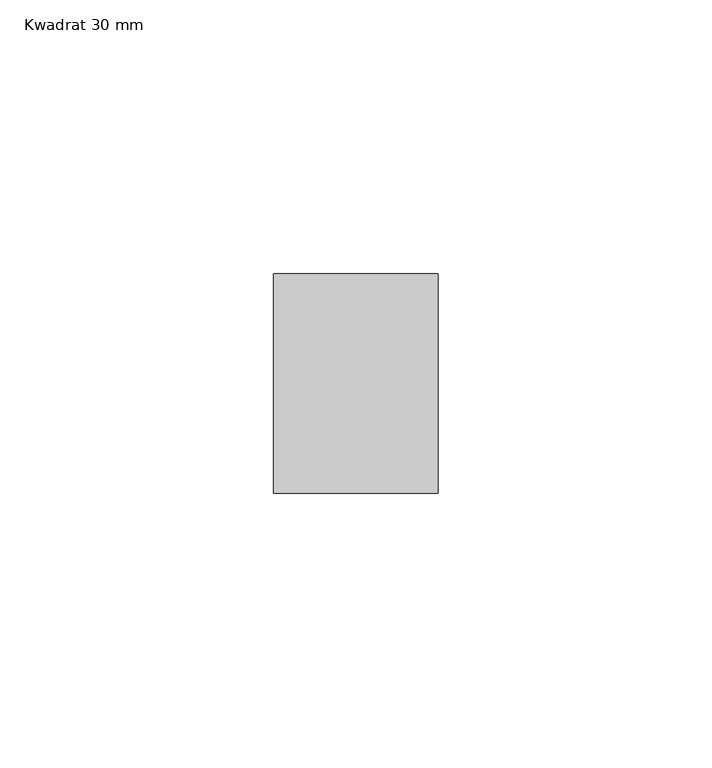
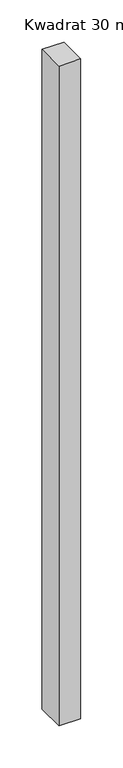
"""IFC4 building model written with IfcOpenShell, lengths in millimetres: member geometry, Kwadrat 30 mm."""

from ifc_helpers import new_model, si_unit, frame, origin, place, context, project, spatial, polyline, outline, extrude, source, transform, mapped, element, save


def kwadrat_30_mm_0d1ddc54(model_context):
    return source(origin(), model_context, "Body", "SweptSolid", [
        extrude(outline(polyline([(15.0, 20.0), (15.0, -20.0), (-15.0, -20.0), (-15.0, 20.0), (15.0, 20.0)])), frame((0.0, 0.0, -955.0), z_axis=(0.0, 0.0, 1.0), x_axis=(1.0, 0.0, 0.0)), (0.0, 0.0, 1.0), 955.0),
    ])


if __name__ == "__main__":
    model = new_model("IFC4")
    model_context = context("Model", 3, world=origin())
    ifc_project = project(units=[si_unit("LENGTHUNIT", "METRE", prefix="MILLI")], contexts=[model_context])
    site = spatial("IfcSite", under=ifc_project)
    building = spatial("IfcBuilding", under=site)
    placement = place(None, origin())
    kwadrat_30_mm_shape = kwadrat_30_mm_0d1ddc54(model_context)
    element("IfcMember", 1, ObjectType="Kwadrat 30 mm", at=placement, inside=building, context=model_context, shape_type="MappedRepresentation", body=[
        mapped(kwadrat_30_mm_shape, transform((0.0, 0.0, 0.0), x_axis=(1.0, 0.0, 0.0), y_axis=(0.0, 1.0, 0.0), z_axis=(0.0, 0.0, 1.0))),
    ])
    save(model, "model.ifc")
